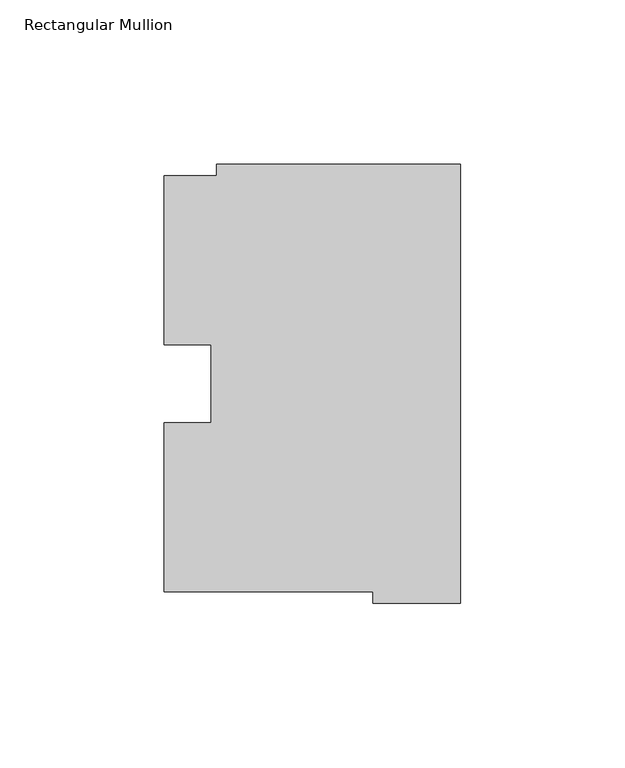
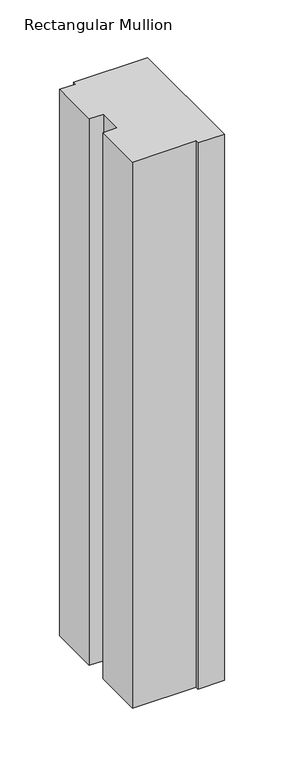
"""IFC4 building model written with IfcOpenShell, lengths in millimetres: member geometry, Rectangular Mullion."""

from ifc_helpers import new_model, si_unit, frame, origin, place, context, project, spatial, polyline, outline, extrude, source, transform, mapped, element, save


def rectangular_mullion_2ec77785(model_context):
    return source(origin(), model_context, "Body", "SweptSolid", [
        extrude(outline(polyline([(-90.0763, 126.75235), (-74.1717324, 126.75235), (-74.1717324, 130.1706837), (0.0, 130.1706837), (0.0, -3.193538), (-26.5763, -3.193538), (-26.5763, 0.26035), (-90.0763, 0.26035), (-90.0763, 51.60645), (-75.8015, 51.60645), (-75.8015, 75.40625), (-90.0763, 75.40625), (-90.0763, 126.75235)])), frame((0.0, 0.0, -577.85), z_axis=(0.0, 0.0, 1.0), x_axis=(1.0, 0.0, 0.0)), (0.0, 0.0, 1.0), 577.85),
    ])


if __name__ == "__main__":
    model = new_model("IFC4")
    model_context = context("Model", 3, world=origin())
    ifc_project = project(units=[si_unit("LENGTHUNIT", "METRE", prefix="MILLI")], contexts=[model_context])
    site = spatial("IfcSite", under=ifc_project)
    building = spatial("IfcBuilding", under=site)
    placement = place(None, origin())
    rectangular_mullion_shape = rectangular_mullion_2ec77785(model_context)
    element("IfcMember", 1, ObjectType="Rectangular Mullion", at=placement, inside=building, context=model_context, shape_type="MappedRepresentation", body=[
        mapped(rectangular_mullion_shape, transform((0.0, 0.0, 0.0), x_axis=(1.0, 0.0, 0.0), y_axis=(0.0, 1.0, 0.0), z_axis=(0.0, 0.0, 1.0))),
    ])
    save(model, "model.ifc")
